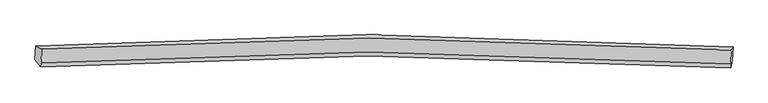
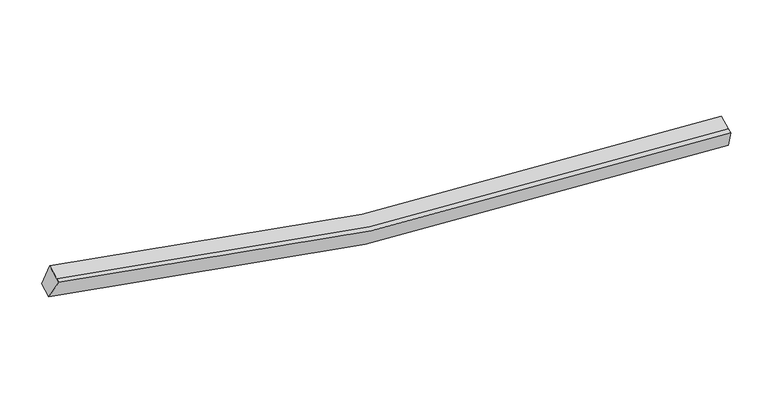
"""IFC4 building model written with IfcOpenShell, lengths in millimetres: proxy geometry."""

from ifc_helpers import new_model, si_unit, frame, origin, place, context, project, spatial, source, transform, mapped, element, save
from ifc_brep_helpers import plane_surface, spline_curve, spline_surface, advanced_brep


def generic_models_9f19c4ce(model_context):
    return source(origin(), model_context, "Body", "AdvancedBrep", [
        advanced_brep(
        [(-10684.1532469, -1850.131543, 4451.1115216), (-10484.3867609, -1954.6084681, 5075.9147531), (11817.5895617, -1987.9073256, 2546.4947333), (11875.4126544, -1883.7235744, 1893.0397686), (-10504.1369191, -2400.4543998, 4902.915636), (11797.8394034, -2433.7532572, 2373.4956162), (-10509.9137357, -2530.86197, 4852.3143119), (11792.0625869, -2564.1608275, 2322.8942921), (-10704.0374204, -2299.0027756, 4276.9385138), (11855.5284809, -2332.594807, 1718.8667609)],
        [
            (0, 1),
            (1, 2, spline_curve(3, [(-10484.3867609, -1954.6084681, 5075.9147531), (-6986.199988281, -1722.983591404, 4097.533549112), (-3456.010711323, -1604.985395319, 3394.438546205), (3972.287746794, -1595.869394199, 2502.3216537), (7876.090577303, -1724.967210785, 2362.276649148), (11817.5895617, -1987.9073256, 2546.4947333)], [4, 2, 4], [0.0, 35.65090332071598, 74.34342853928328])),
            (2, 3),
            (3, 0, spline_curve(3, [(11875.4126544, -1883.7235744, 1893.0397686), (7887.568605503, -1617.439966254, 1705.495882631), (3938.283108587, -1486.712328317, 1846.533033006), (-3575.748285491, -1495.989436603, 2748.852688782), (-7146.318088647, -1615.519731425, 3460.506123164), (-10684.1532469, -1850.131543, 4451.1115216)], [4, 2, 4], [0.0, 38.6925252185673, 74.34342853928328])),
            (1, 4),
            (4, 5, spline_curve(3, [(-10504.1369191, -2400.4543998, 4902.915636), (-7005.950147191, -2168.829523644, 3924.534432699), (-3475.760869832, -2050.831326126, 3221.439430027), (3952.53758872, -2041.715326659, 2329.322535599), (7856.340418579, -2170.8131432, 2189.277533004), (11797.8394034, -2433.7532572, 2373.4956162)], [4, 2, 4], [0.0, 35.44601245722244, 73.91616617424714])),
            (5, 2),
            (4, 6),
            (6, 7, spline_curve(3, [(-10509.9137357, -2530.86197, 4852.3143119), (-7011.726963791, -2299.237093844, 3873.933108599), (-3481.537686332, -2181.238896426, 3170.838105927), (3946.76077222, -2172.122896959, 2278.721211499), (7850.563602079, -2301.2207135, 2138.676208904), (11792.0625869, -2564.1608275, 2322.8942921)], [4, 2, 4], [0.0, 35.44601245722245, 73.91616617424717])),
            (7, 5),
            (6, 8),
            (8, 9, spline_curve(3, [(-10704.0374204, -2299.0027756, 4276.9385138), (-7166.202262147, -2064.390964025, 3286.333115364), (-3595.632459091, -1944.860669203, 2574.679680982), (3918.398934987, -1935.583560917, 1672.360025206), (7867.684432003, -2066.311198854, 1531.322874931), (11855.5284809, -2332.594807, 1718.8667609)], [4, 2, 4], [0.0, 35.65090332071598, 74.34342853928328])),
            (9, 7),
            (8, 0),
            (3, 9),
        ],
        [
            spline_surface(3, 3, [[(-10684.1532469, -1850.131543, 4451.1115216), (-7146.318088924, -1615.519731453, 3460.50612352), (-3575.74828554, -1495.989437191, 2748.852689247), (3938.28310864, -1486.712327679, 1846.533032501), (7887.568605705, -1617.439965762, 1705.495882404), (11875.4126544, -1883.7235744, 1893.0397686)], [(-10617.564418248, -1884.957184699, 4659.379265443), (-7092.945388811, -1651.341018272, 3672.848598887), (-3535.835760833, -1532.321423064, 2964.047975069), (3949.617988059, -1523.098016693, 2065.129239397), (7883.742596227, -1653.282380841, 1924.42280475), (11856.138290143, -1918.451491456, 2110.858090157)], [(-10550.975589552, -1919.782826401, 4867.647009257), (-7039.572688655, -1687.162305095, 3885.191074227), (-3495.923236126, -1568.653408952, 3179.243260872), (3960.952867479, -1559.483705721, 2283.725446273), (7879.916586821, -1689.124795951, 2143.349727126), (11836.863925957, -1953.179408544, 2328.676411743)], [(-10484.3867609, -1954.6084681, 5075.9147531), (-6986.199988542, -1722.983591914, 4097.533549595), (-3456.010711419, -1604.985394825, 3394.438546694), (3972.287746898, -1595.869394734, 2502.321653169), (7876.090577344, -1724.967211029, 2362.276649472), (11817.5895617, -1987.9073256, 2546.4947333)]], [4, 4], [4, 2, 4], [0.0, 2.179204478980812], [0.0, 35.65090332071598, 74.34342853928328]),
            spline_surface(3, 3, [[(-10484.3867609, -1954.6084681, 5075.9147531), (-6986.199988542, -1722.983591914, 4097.533549595), (-3456.010711419, -1604.985394825, 3394.438546694), (3972.287746898, -1595.869394734, 2502.321653169), (7876.090577344, -1724.967211029, 2362.276649472), (11817.5895617, -1987.9073256, 2546.4947333)], [(-10490.970146978, -2103.223778645, 5018.248380746), (-6992.78337462, -1871.598902459, 4039.867177241), (-3462.594097497, -1753.60070537, 3336.772174341), (3965.704360821, -1744.484705279, 2444.655280816), (7869.507191266, -1873.582521574, 2304.610277119), (11811.006175622, -2136.522636145, 2488.828360946)], [(-10497.553533022, -2251.839089255, 4960.582008354), (-6999.366760664, -2020.214213069, 3982.200804848), (-3469.177483642, -1902.216015881, 3279.105801948), (3959.120974676, -1893.10001579, 2386.988908423), (7862.923805121, -2022.197832085, 2246.943904726), (11804.422789478, -2285.137946655, 2431.161988554)], [(-10504.1369191, -2400.4543998, 4902.915636), (-7005.950146742, -2168.829523614, 3924.534432495), (-3475.760869719, -2050.831326425, 3221.439429594), (3952.537588598, -2041.715326334, 2329.322536069), (7856.340419044, -2170.813142629, 2189.277532372), (11797.8394034, -2433.7532572, 2373.4956162)]], [4, 4], [4, 2, 4], [0.0, 1.5703450061395228], [0.0, 35.44601245722244, 73.91616617424714]),
            spline_surface(3, 3, [[(-10504.1369191, -2400.4543998, 4902.915636), (-7005.950146742, -2168.829523614, 3924.534432495), (-3475.760869719, -2050.831326425, 3221.439429594), (3952.537588598, -2041.715326334, 2329.322536069), (7856.340419044, -2170.813142629, 2189.277532372), (11797.8394034, -2433.7532572, 2373.4956162)], [(-10506.06252461, -2443.92358989, 4886.048527945), (-7007.875752252, -2212.298713704, 3907.667324439), (-3477.686475229, -2094.300516515, 3204.572321539), (3950.611983088, -2085.184516424, 2312.455428014), (7854.414813534, -2214.282332719, 2172.410424317), (11795.91379789, -2477.22244729, 2356.628508145)], [(-10507.98813019, -2487.39277991, 4869.181419955), (-7009.801357832, -2255.767903724, 3890.80021645), (-3479.612080709, -2137.769706635, 3187.70521355), (3948.686377608, -2128.653706545, 2295.588320024), (7852.489208053, -2257.75152284, 2155.543316327), (11793.98819241, -2520.69163741, 2339.761400155)], [(-10509.9137357, -2530.86197, 4852.3143119), (-7011.726963342, -2299.237093814, 3873.933108395), (-3481.537686219, -2181.238896725, 3170.838105494), (3946.760772098, -2172.122896634, 2278.721211969), (7850.563602544, -2301.220712929, 2138.676208272), (11792.0625869, -2564.1608275, 2322.8942921)]], [4, 4], [4, 2, 4], [0.0, 0.4593175853018407], [0.0, 35.44601245722245, 73.91616617424717]),
            spline_surface(3, 3, [[(-10509.9137357, -2530.86197, 4852.3143119), (-7011.726963342, -2299.237093814, 3873.933108395), (-3481.537686219, -2181.238896725, 3170.838105494), (3946.760772098, -2172.122896634, 2278.721211969), (7850.563602544, -2301.220712929, 2138.676208272), (11792.0625869, -2564.1608275, 2322.8942921)], [(-10574.621630606, -2453.575571868, 4660.52237921), (-7063.218729709, -2220.955050561, 3678.06644418), (-3519.56927718, -2102.446154418, 2972.118630825), (3937.306826425, -2093.276451187, 2076.600816226), (7856.270545767, -2222.917541417, 1936.225097079), (11813.217884903, -2486.97215401, 2121.551781696)], [(-10639.329525494, -2376.289173732, 4468.73044649), (-7114.710496057, -2142.673007306, 3482.199779934), (-3557.600868179, -2023.653412098, 2773.399156117), (3927.852880713, -2014.430005726, 1874.480420444), (7861.977488981, -2144.614369874, 1733.773985897), (11834.373182897, -2409.78348049, 1920.209271304)], [(-10704.0374204, -2299.0027756, 4276.9385138), (-7166.202262424, -2064.390964053, 3286.33311572), (-3595.63245914, -1944.860669791, 2574.679681447), (3918.39893504, -1935.583560279, 1672.360024701), (7867.684432205, -2066.311198362, 1531.322874704), (11855.5284809, -2332.594807, 1718.8667609)]], [4, 4], [4, 2, 4], [0.0, 2.132518371550274], [0.0, 35.65090332071598, 74.34342853928328]),
            spline_surface(3, 3, [[(-10704.0374204, -2299.0027756, 4276.9385138), (-7166.202262424, -2064.390964053, 3286.33311572), (-3595.63245914, -1944.860669791, 2574.679681447), (3918.39893504, -1935.583560279, 1672.360024701), (7867.684432205, -2066.311198362, 1531.322874704), (11855.5284809, -2332.594807, 1718.8667609)], [(-10697.409362558, -2149.3790314, 4334.996183056), (-7159.574204583, -1914.767219853, 3344.390784976), (-3589.004401298, -1795.23692559, 2632.737350703), (3925.026992882, -1785.959816079, 1730.417693957), (7874.312490047, -1916.687454162, 1589.38054396), (11862.156538742, -2182.9710628, 1776.924430156)], [(-10690.781304742, -1999.7552872, 4393.053852344), (-7152.946146766, -1765.143475654, 3402.448454263), (-3582.376343382, -1645.613181391, 2690.795019991), (3931.655050799, -1636.33607188, 1788.475363245), (7880.940547864, -1767.063709963, 1647.438213148), (11868.784596558, -2033.3473186, 1834.982099344)], [(-10684.1532469, -1850.131543, 4451.1115216), (-7146.318088924, -1615.519731453, 3460.50612352), (-3575.74828554, -1495.989437191, 2748.852689247), (3938.28310864, -1486.712327679, 1846.533032501), (7887.568605705, -1617.439965762, 1705.495882404), (11875.4126544, -1883.7235744, 1893.0397686)]], [4, 4], [4, 2, 4], [0.0, 1.5810006293688974], [0.0, 35.855794398932886, 74.77069135208568]),
            plane_surface(frame((11835.148321, -2192.0966336, 2120.3238887), z_axis=(0.9943660438286501, -0.0736353242079181, 0.07624965514252385), x_axis=(0.09763983693767264, 0.3562554161063683, -0.9292731249410279))),
            plane_surface(frame((-10595.6227909, -2158.6511892, 4664.0697751), z_axis=(-0.9534696931247401, -0.07141840744672728, 0.2929077591501927), x_axis=(-0.04126297521198008, -0.931482644778552, -0.36143802975476935))),
        ],
        [
            (0, [[1, 2, 3, 4]]),
            (1, [[5, 6, 7, -2]]),
            (2, [[8, 9, 10, -6]]),
            (3, [[11, 12, 13, -9]]),
            (4, [[14, -4, 15, -12]]),
            (5, [[-13, -15, -3, -7, -10]]),
            (6, [[-14, -11, -8, -5, -1]]),
        ],
    ),
    ])


if __name__ == "__main__":
    model = new_model("IFC4")
    model_context = context("Model", 3, world=origin())
    ifc_project = project(units=[si_unit("LENGTHUNIT", "METRE", prefix="MILLI")], contexts=[model_context])
    site = spatial("IfcSite", under=ifc_project)
    building = spatial("IfcBuilding", under=site)
    placement = place(None, origin())
    generic_models_shape = generic_models_9f19c4ce(model_context)
    element("IfcBuildingElementProxy", 1, Name="Generic Models", at=placement, inside=building, context=model_context, shape_type="MappedRepresentation", body=[
        mapped(generic_models_shape, transform((0.0, 0.0, 0.0), x_axis=(1.0, 0.0, 0.0), y_axis=(0.0, 1.0, 0.0), z_axis=(0.0, 0.0, 1.0))),
    ])
    save(model, "model.ifc")
